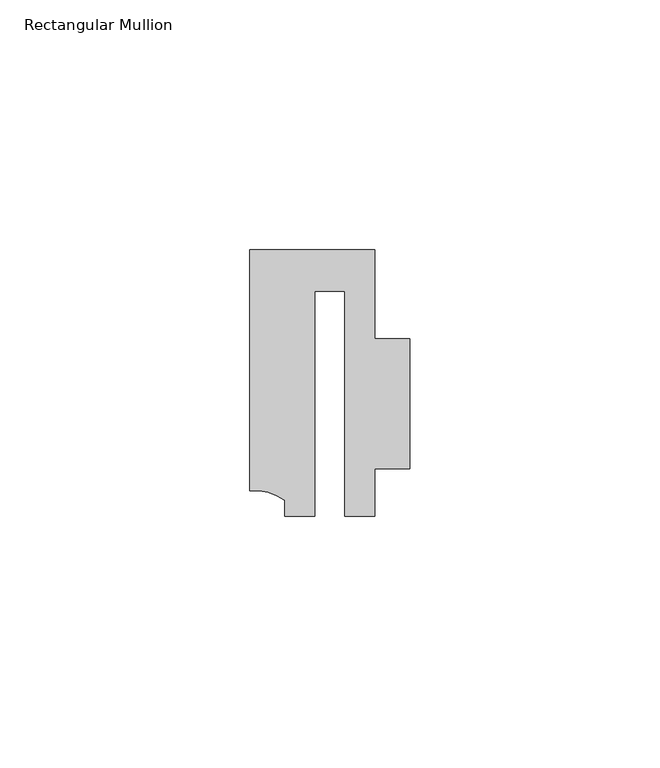
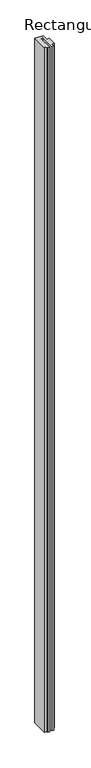
"""IFC4 building model written with IfcOpenShell, lengths in millimetres: member geometry, Rectangular Mullion."""

from ifc_helpers import new_model, si_unit, point, frame, frame_2d, origin, place, context, project, spatial, polyline, circle_curve, trimmed, segment, composite_curve, outline, extrude, source, transform, mapped, element, save


def rectangular_mullion_87c01723(model_context):
    return source(origin(), model_context, "Body", "SweptSolid", [
        extrude(outline(composite_curve([segment(polyline([(-2.9999659, 24.5130805), (-2.9999659, -20.5039877), (-9.0, -20.5039877), (-9.0, -17.3165089)]), True, "CONTINUOUS"), segment(trimmed(circle_curve(frame_2d((-15.1098019, -25.802169)), 10.4563907), [point((-9.0, -17.3165089))], [point((-15.9999391, -15.3837352))], True, "CARTESIAN"), True, "CONTINUOUS"), segment(polyline([(-15.9999391, -15.3837352), (-15.9999391, 32.7960123), (9.0, 32.7960123), (9.0, 14.9953356), (15.9999391, 14.9953356), (15.9999391, -11.0039877), (8.9999842, -11.0039877), (8.9999842, -20.5039877), (2.9999676, -20.5039877), (2.9999676, 24.5130805), (-2.9999659, 24.5130805)]), True, "CONTINUOUS")], self_intersect=False)), frame((0.0, 0.0, -2165.0000127), z_axis=(0.0, 0.0, 1.0), x_axis=(1.0, 0.0, 0.0)), (0.0, 0.0, 1.0), 2165.0000127),
    ])


if __name__ == "__main__":
    model = new_model("IFC4")
    model_context = context("Model", 3, world=origin())
    ifc_project = project(units=[si_unit("LENGTHUNIT", "METRE", prefix="MILLI")], contexts=[model_context])
    site = spatial("IfcSite", under=ifc_project)
    building = spatial("IfcBuilding", under=site)
    placement = place(None, origin())
    rectangular_mullion_shape = rectangular_mullion_87c01723(model_context)
    element("IfcMember", 1, ObjectType="Rectangular Mullion", at=placement, inside=building, context=model_context, shape_type="MappedRepresentation", body=[
        mapped(rectangular_mullion_shape, transform((0.0, 0.0, 0.0), x_axis=(1.0, 0.0, 0.0), y_axis=(0.0, 1.0, 0.0), z_axis=(0.0, 0.0, 1.0))),
    ])
    save(model, "model.ifc")
